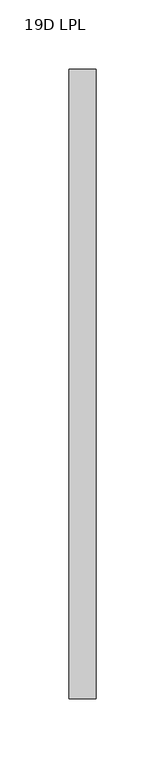
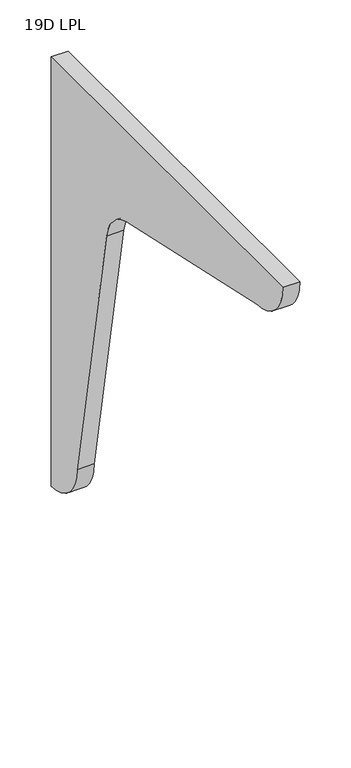
"""IFC4 building model written with IfcOpenShell, lengths in millimetres: furniture geometry, 19D LPL."""

from ifc_helpers import new_model, si_unit, point, frame, frame_2d, origin, place, context, project, spatial, polyline, circle_curve, trimmed, segment, composite_curve, outline, extrude, source, transform, mapped, element, save


def furniture_19d_lpl_c6e7228e(model_context):
    return source(origin(), model_context, "Body", "SweptSolid", [
        extrude(outline(composite_curve([segment(trimmed(circle_curve(frame_2d((-21.75256, 376.4225891)), 50.8), [point((-21.75256, 325.6225891))], [point((-72.55256, 376.4225891))], False, "CARTESIAN"), True, "CONTINUOUS"), segment(polyline([(-72.55256, 376.4225891), (-130.5157106, 690.2651603)]), True, "CONTINUOUS"), segment(trimmed(circle_curve(frame_2d((-180.4708721, 681.0390106)), 50.8), [point((-130.5157106, 690.2651603))], [point((-169.4450564, 730.6280355))], True, "CARTESIAN"), True, "CONTINUOUS"), segment(polyline([(-169.4450564, 730.6280355), (-424.7791225, 787.4)]), True, "CONTINUOUS"), segment(trimmed(circle_curve(frame_2d((-424.7791225, 838.2)), 50.8), [point((-424.7791225, 787.4))], [point((-475.5791225, 838.2))], False, "CARTESIAN"), True, "CONTINUOUS"), segment(polyline([(-475.5791225, 838.2), (-21.75256, 838.2), (-21.75256, 325.6225891)]), True, "CONTINUOUS")], self_intersect=False)), frame((9.0857049, 0.0, 0.0), z_axis=(1.0, 0.0, 0.0), x_axis=(0.0, 1.0, 0.0)), (0.0, 0.0, 1.0), 19.304),
    ])


if __name__ == "__main__":
    model = new_model("IFC4")
    model_context = context("Model", 3, world=origin())
    ifc_project = project(units=[si_unit("LENGTHUNIT", "METRE", prefix="MILLI")], contexts=[model_context])
    site = spatial("IfcSite", under=ifc_project)
    building = spatial("IfcBuilding", under=site)
    placement = place(None, origin())
    furniture_19d_lpl_shape = furniture_19d_lpl_c6e7228e(model_context)
    element("IfcFurniture", 1, ObjectType="19D LPL", at=placement, inside=building, context=model_context, shape_type="MappedRepresentation", body=[
        mapped(furniture_19d_lpl_shape, transform((0.0, 0.0, 0.0), x_axis=(1.0, 0.0, 0.0), y_axis=(0.0, 1.0, 0.0), z_axis=(0.0, 0.0, 1.0))),
    ])
    save(model, "model.ifc")
